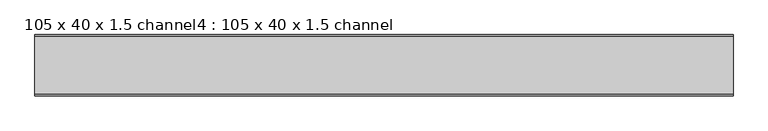
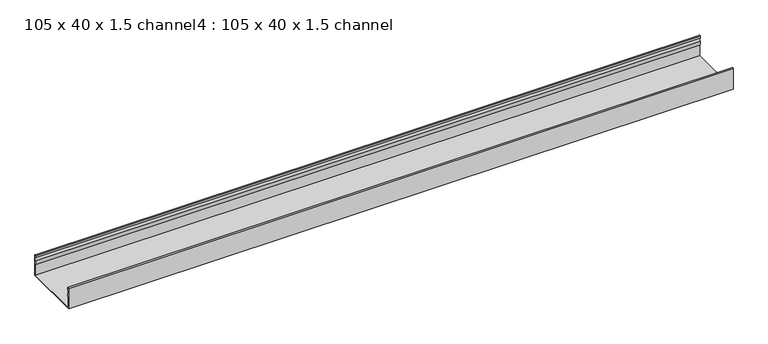
"""IFC4 building model written with IfcOpenShell, lengths in millimetres: proxy geometry, 105 x 40 x 1.5 channel4 : 105 x 40 x 1.5 channel."""

from ifc_helpers import new_model, si_unit, point, frame, frame_2d, origin, place, context, project, spatial, polyline, circle_curve, trimmed, segment, composite_curve, outline, extrude, source, transform, mapped, element, save


def proxy_105_x_40_x_1_5_channel4_105_x_40_x_1_5_channel_bfc81377(model_context):
    return source(origin(), model_context, "Body", "SweptSolid", [
        extrude(outline(composite_curve([segment(trimmed(circle_curve(frame_2d((-25047.5343538, 32.0)), 10.0), [point((-25037.9590458, 29.1166898))], [point((-25037.9590458, 34.8833102))], True, "CARTESIAN"), True, "CONTINUOUS"), segment(polyline([(-25037.9590458, 34.8833102), (-25038.5343538, 38.8)]), True, "CONTINUOUS"), segment(trimmed(circle_curve(frame_2d((-25037.3343538, 38.8)), 1.2), [point((-25038.5343538, 38.8))], [point((-25036.1343538, 38.8))], False, "CARTESIAN"), True, "CONTINUOUS"), segment(polyline([(-25036.1343538, 38.8), (-25036.1343538, 0.0), (-25141.4343538, 0.0), (-25141.4343538, 38.8)]), True, "CONTINUOUS"), segment(trimmed(circle_curve(frame_2d((-25140.2343538, 38.8)), 1.2), [point((-25141.4343538, 38.8))], [point((-25139.0343538, 38.8))], False, "CARTESIAN"), True, "CONTINUOUS"), segment(polyline([(-25139.0343538, 38.8), (-25139.6096617, 34.8833102)]), True, "CONTINUOUS"), segment(trimmed(circle_curve(frame_2d((-25130.0343538, 32.0)), 10.0), [point((-25139.6096617, 34.8833102))], [point((-25139.6096617, 29.1166898))], True, "CARTESIAN"), True, "CONTINUOUS"), segment(trimmed(circle_curve(frame_2d((-25149.0343538, 25.77376)), 10.0), [point((-25139.6096617, 29.1166898))], [point((-25140.0343538, 21.4148611))], False, "CARTESIAN"), True, "CONTINUOUS"), segment(polyline([(-25140.0343538, 21.4148611), (-25140.0343538, 1.4), (-25037.5343538, 1.4), (-25037.5343538, 21.4148611)]), True, "CONTINUOUS"), segment(trimmed(circle_curve(frame_2d((-25028.5343538, 25.77376)), 10.0), [point((-25037.5343538, 21.4148611))], [point((-25037.9590458, 29.1166898))], False, "CARTESIAN"), True, "CONTINUOUS")], self_intersect=False)), frame((-2443.7355594, 0.0, 0.0), z_axis=(1.0, 0.0, 0.0), x_axis=(0.0, 1.0, 0.0)), (0.0, 0.0, 1.0), 1200.1845315),
    ])


if __name__ == "__main__":
    model = new_model("IFC4")
    model_context = context("Model", 3, world=origin())
    ifc_project = project(units=[si_unit("LENGTHUNIT", "METRE", prefix="MILLI")], contexts=[model_context])
    site = spatial("IfcSite", under=ifc_project)
    building = spatial("IfcBuilding", under=site)
    placement = place(None, origin())
    proxy_105_x_40_x_1_5_channel4_105_x_40_x_1_5_channel_shape = proxy_105_x_40_x_1_5_channel4_105_x_40_x_1_5_channel_bfc81377(model_context)
    element("IfcBuildingElementProxy", 1, Name="105 x 40 x 1.5 channel4 : 105 x 40 x 1.5 channel", ObjectType="105 x 40 x 1.5 channel4 : 105 x 40 x 1.5 channel", at=placement, inside=building, context=model_context, shape_type="MappedRepresentation", body=[
        mapped(proxy_105_x_40_x_1_5_channel4_105_x_40_x_1_5_channel_shape, transform((0.0, 0.0, 0.0), x_axis=(1.0, 0.0, 0.0), y_axis=(0.0, 1.0, 0.0), z_axis=(0.0, 0.0, 1.0))),
    ])
    save(model, "model.ifc")
